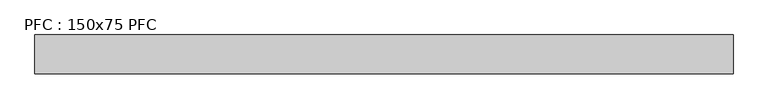
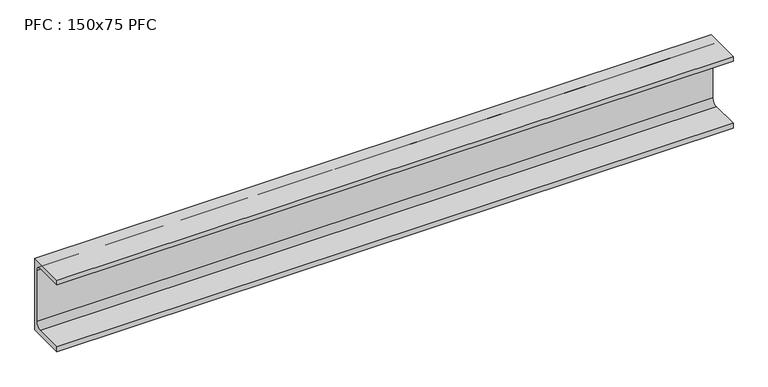
"""IFC4 building model written with IfcOpenShell, lengths in millimetres: beam geometry, PFC : 150x75 PFC."""

from ifc_helpers import new_model, si_unit, point, frame, frame_2d, origin, place, context, project, spatial, polyline, circle_curve, trimmed, segment, composite_curve, outline, extrude, source, transform, mapped, element, save


def pfc_150x75_pfc_b41d2695(model_context):
    return source(origin(), model_context, "Body", "SweptSolid", [
        extrude(outline(composite_curve([segment(polyline([(0.0, 150.0), (0.0, 0.0), (-75.0, 0.0), (-75.0, 10.0), (-17.5, 10.0)]), True, "CONTINUOUS"), segment(trimmed(circle_curve(frame_2d((-17.5, 22.0)), 12.0), [point((-17.5, 10.0))], [point((-5.5, 22.0))], True, "CARTESIAN"), True, "CONTINUOUS"), segment(polyline([(-5.5, 22.0), (-5.5, 128.0)]), True, "CONTINUOUS"), segment(trimmed(circle_curve(frame_2d((-17.5, 128.0)), 12.0), [point((-5.5, 128.0))], [point((-17.5, 140.0))], True, "CARTESIAN"), True, "CONTINUOUS"), segment(polyline([(-17.5, 140.0), (-75.0, 140.0), (-75.0, 150.0), (0.0, 150.0)]), True, "CONTINUOUS")], self_intersect=False)), frame((0.0, 0.0, 0.0), z_axis=(1.0, 0.0, 0.0), x_axis=(0.0, 1.0, 0.0)), (0.0, 0.0, 1.0), 1340.0),
    ])


if __name__ == "__main__":
    model = new_model("IFC4")
    model_context = context("Model", 3, world=origin())
    ifc_project = project(units=[si_unit("LENGTHUNIT", "METRE", prefix="MILLI")], contexts=[model_context])
    site = spatial("IfcSite", under=ifc_project)
    building = spatial("IfcBuilding", under=site)
    placement = place(None, origin())
    pfc_150x75_pfc_shape = pfc_150x75_pfc_b41d2695(model_context)
    element("IfcBeam", 1, ObjectType="PFC : 150x75 PFC", at=placement, inside=building, context=model_context, shape_type="MappedRepresentation", body=[
        mapped(pfc_150x75_pfc_shape, transform((0.0, 0.0, 0.0), x_axis=(1.0, 0.0, 0.0), y_axis=(0.0, 1.0, 0.0), z_axis=(0.0, 0.0, 1.0))),
    ])
    save(model, "model.ifc")
